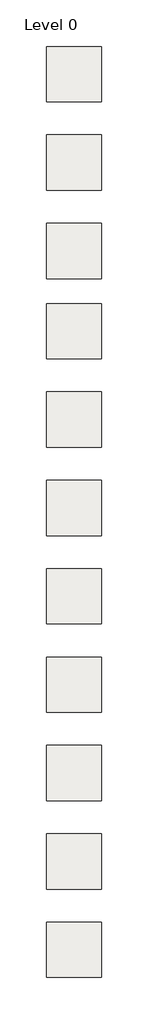
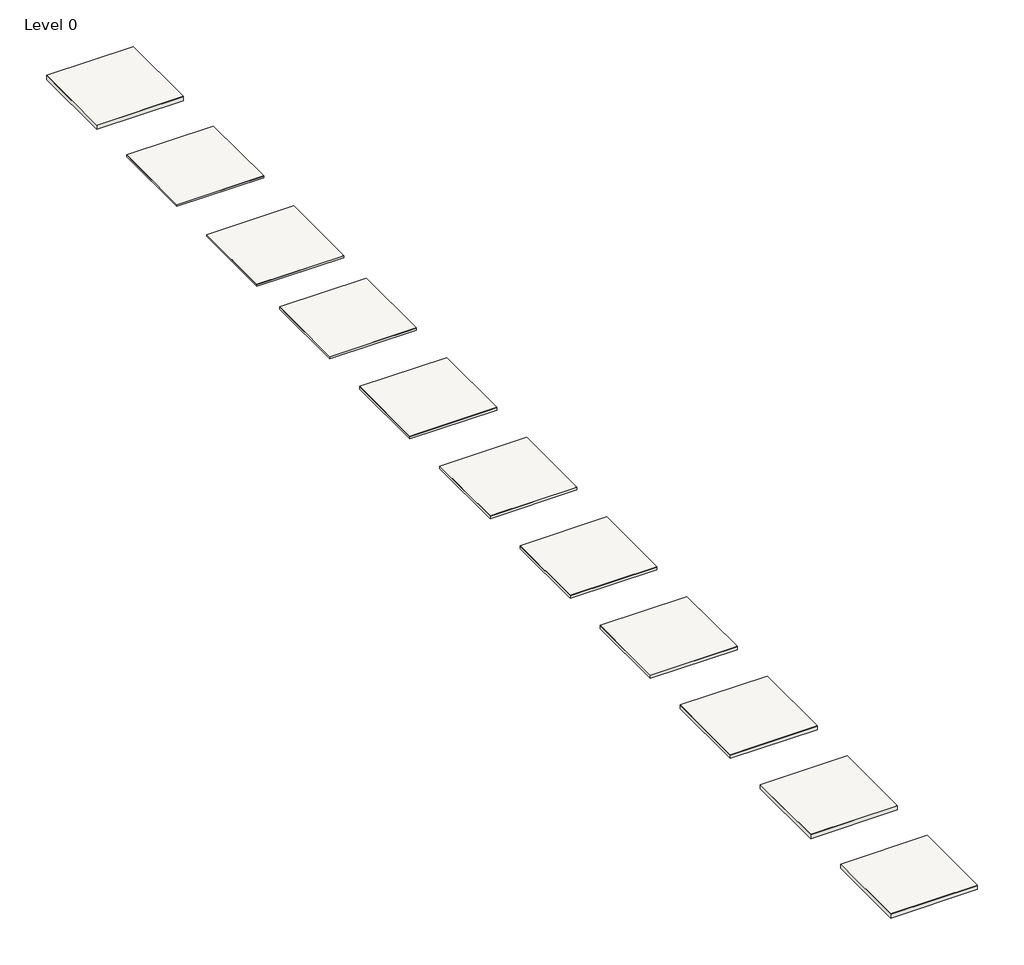
# One storey: 11 coverings, 11 slabs.
"""IFC4 building model written with IfcOpenShell, lengths in millimetres."""

from ifc_helpers import new_model, si_unit, frame, origin, origin_with_axes, place, context, project, spatial, polyline, outline, extrude, element, save

model = new_model("IFC4")

# Units and contexts
model_context = context("Model", 3, world=origin())
ifc_project = project(units=[si_unit("LENGTHUNIT", "METRE", prefix="MILLI")], contexts=[model_context])

# Site, building, storey
site = spatial("IfcSite", under=ifc_project)
building = spatial("IfcBuilding", under=site)
storey = spatial("IfcBuildingStorey", under=building, Name="Level 0", Elevation=0.0)

# Coverings
placement = place(None, origin())
element("IfcCovering", 1, at=placement, inside=storey, context=model_context, shape_type="SweptSolid", body=[
    extrude(outline(polyline([(4387.8819039, 6029.3022109), (6887.8819039, 6029.3022109), (6887.8819039, 3529.3022109), (4387.8819039, 3529.3022109), (4387.8819039, 6029.3022109)])), frame((0.0, 0.0, -120.0), z_axis=(0.0, 0.0, 1.0), x_axis=(1.0, 0.0, 0.0)), (0.0, 0.0, 1.0), 120.0),
])
element("IfcCovering", 2, at=placement, inside=storey, context=model_context, shape_type="SweptSolid", body=[
    extrude(outline(polyline([(4387.8819039, 2029.3022109), (6887.8819039, 2029.3022109), (6887.8819039, -470.6977891), (4387.8819039, -470.6977891), (4387.8819039, 2029.3022109)])), frame((0.0, 0.0, -40.0), z_axis=(0.0, 0.0, 1.0), x_axis=(1.0, 0.0, 0.0)), (0.0, 0.0, 1.0), 40.0),
])
element("IfcCovering", 3, at=placement, inside=storey, context=model_context, shape_type="SweptSolid", body=[
    extrude(outline(polyline([(4387.8819039, -1970.6977891), (6887.8819039, -1970.6977891), (6887.8819039, -4470.6977891), (4387.8819039, -4470.6977891), (4387.8819039, -1970.6977891)])), frame((0.0, 0.0, -50.0), z_axis=(0.0, 0.0, 1.0), x_axis=(1.0, 0.0, 0.0)), (0.0, 0.0, 1.0), 50.0),
])
element("IfcCovering", 4, at=placement, inside=storey, context=model_context, shape_type="SweptSolid", body=[
    extrude(outline(polyline([(4387.8819039, -5604.7208119), (6887.8819039, -5604.7208119), (6887.8819039, -8104.7208119), (4387.8819039, -8104.7208119), (4387.8819039, -5604.7208119)])), frame((0.0, 0.0, -60.0), z_axis=(0.0, 0.0, 1.0), x_axis=(1.0, 0.0, 0.0)), (0.0, 0.0, 1.0), 60.0),
])
element("IfcCovering", 5, at=placement, inside=storey, context=model_context, shape_type="SweptSolid", body=[
    extrude(outline(polyline([(4387.8819039, -9604.7208119), (6887.8819039, -9604.7208119), (6887.8819039, -12104.7208119), (4387.8819039, -12104.7208119), (4387.8819039, -9604.7208119)])), frame((0.0, 0.0, -70.0), z_axis=(0.0, 0.0, 1.0), x_axis=(1.0, 0.0, 0.0)), (0.0, 0.0, 1.0), 70.0),
])
element("IfcCovering", 6, at=placement, inside=storey, context=model_context, shape_type="SweptSolid", body=[
    extrude(outline(polyline([(4387.8819039, -13604.7208119), (6887.8819039, -13604.7208119), (6887.8819039, -16104.7208119), (4387.8819039, -16104.7208119), (4387.8819039, -13604.7208119)])), frame((0.0, 0.0, -75.0), z_axis=(0.0, 0.0, 1.0), x_axis=(1.0, 0.0, 0.0)), (0.0, 0.0, 1.0), 75.0),
])
element("IfcCovering", 7, at=placement, inside=storey, context=model_context, shape_type="SweptSolid", body=[
    extrude(outline(polyline([(4387.8819039, -17604.7208119), (6887.8819039, -17604.7208119), (6887.8819039, -20104.7208119), (4387.8819039, -20104.7208119), (4387.8819039, -17604.7208119)])), frame((0.0, 0.0, -80.0), z_axis=(0.0, 0.0, 1.0), x_axis=(1.0, 0.0, 0.0)), (0.0, 0.0, 1.0), 80.0),
])
element("IfcCovering", 8, at=placement, inside=storey, context=model_context, shape_type="SweptSolid", body=[
    extrude(outline(polyline([(4387.8819039, -21604.7208119), (6887.8819039, -21604.7208119), (6887.8819039, -24104.7208119), (4387.8819039, -24104.7208119), (4387.8819039, -21604.7208119)])), frame((0.0, 0.0, -90.0), z_axis=(0.0, 0.0, 1.0), x_axis=(1.0, 0.0, 0.0)), (0.0, 0.0, 1.0), 90.0),
])
element("IfcCovering", 9, at=placement, inside=storey, context=model_context, shape_type="SweptSolid", body=[
    extrude(outline(polyline([(4387.8819039, -25604.7208119), (6887.8819039, -25604.7208119), (6887.8819039, -28104.7208119), (4387.8819039, -28104.7208119), (4387.8819039, -25604.7208119)])), frame((0.0, 0.0, -100.0), z_axis=(0.0, 0.0, 1.0), x_axis=(1.0, 0.0, 0.0)), (0.0, 0.0, 1.0), 100.0),
])
element("IfcCovering", 10, at=placement, inside=storey, context=model_context, shape_type="SweptSolid", body=[
    extrude(outline(polyline([(4387.8819039, -29604.7208119), (6887.8819039, -29604.7208119), (6887.8819039, -32104.7208119), (4387.8819039, -32104.7208119), (4387.8819039, -29604.7208119)])), frame((0.0, 0.0, -120.0), z_axis=(0.0, 0.0, 1.0), x_axis=(1.0, 0.0, 0.0)), (0.0, 0.0, 1.0), 120.0),
])
element("IfcCovering", 11, at=placement, inside=storey, context=model_context, shape_type="SweptSolid", body=[
    extrude(outline(polyline([(4387.8819039, -33604.7208119), (6887.8819039, -33604.7208119), (6887.8819039, -36104.7208119), (4387.8819039, -36104.7208119), (4387.8819039, -33604.7208119)])), frame((0.0, 0.0, -120.0), z_axis=(0.0, 0.0, 1.0), x_axis=(1.0, 0.0, 0.0)), (0.0, 0.0, 1.0), 120.0),
])

# Slabs
element("IfcSlab", 12, at=placement, inside=storey, context=model_context, shape_type="SweptSolid", body=[
    extrude(outline(polyline([(6887.8819039, -33604.7208119), (6887.8819039, -36104.7208119), (4387.8819039, -36104.7208119), (4387.8819039, -33604.7208119), (6887.8819039, -33604.7208119)])), origin_with_axes(), (0.0, 0.0, 1.0), 10.0),
])
element("IfcSlab", 13, at=placement, inside=storey, context=model_context, shape_type="SweptSolid", body=[
    extrude(outline(polyline([(6887.8819039, -29604.7208119), (6887.8819039, -32104.7208119), (4387.8819039, -32104.7208119), (4387.8819039, -29604.7208119), (6887.8819039, -29604.7208119)])), origin_with_axes(), (0.0, 0.0, 1.0), 10.0),
])
element("IfcSlab", 14, at=placement, inside=storey, context=model_context, shape_type="SweptSolid", body=[
    extrude(outline(polyline([(6887.8819039, -25604.7208119), (6887.8819039, -28104.7208119), (4387.8819039, -28104.7208119), (4387.8819039, -25604.7208119), (6887.8819039, -25604.7208119)])), origin_with_axes(), (0.0, 0.0, 1.0), 10.0),
])
element("IfcSlab", 15, at=placement, inside=storey, context=model_context, shape_type="SweptSolid", body=[
    extrude(outline(polyline([(6887.8819039, -21604.7208119), (6887.8819039, -24104.7208119), (4387.8819039, -24104.7208119), (4387.8819039, -21604.7208119), (6887.8819039, -21604.7208119)])), origin_with_axes(), (0.0, 0.0, 1.0), 10.0),
])
element("IfcSlab", 16, at=placement, inside=storey, context=model_context, shape_type="SweptSolid", body=[
    extrude(outline(polyline([(6887.8819039, -17604.7208119), (6887.8819039, -20104.7208119), (4387.8819039, -20104.7208119), (4387.8819039, -17604.7208119), (6887.8819039, -17604.7208119)])), origin_with_axes(), (0.0, 0.0, 1.0), 10.0),
])
element("IfcSlab", 17, at=placement, inside=storey, context=model_context, shape_type="SweptSolid", body=[
    extrude(outline(polyline([(6887.8819039, -13604.7208119), (6887.8819039, -16104.7208119), (4387.8819039, -16104.7208119), (4387.8819039, -13604.7208119), (6887.8819039, -13604.7208119)])), origin_with_axes(), (0.0, 0.0, 1.0), 10.0),
])
element("IfcSlab", 18, at=placement, inside=storey, context=model_context, shape_type="SweptSolid", body=[
    extrude(outline(polyline([(6887.8819039, -9604.7208119), (6887.8819039, -12104.7208119), (4387.8819039, -12104.7208119), (4387.8819039, -9604.7208119), (6887.8819039, -9604.7208119)])), origin_with_axes(), (0.0, 0.0, 1.0), 10.0),
])
element("IfcSlab", 19, at=placement, inside=storey, context=model_context, shape_type="SweptSolid", body=[
    extrude(outline(polyline([(6887.8819039, -5604.7208119), (6887.8819039, -8104.7208119), (4387.8819039, -8104.7208119), (4387.8819039, -5604.7208119), (6887.8819039, -5604.7208119)])), origin_with_axes(), (0.0, 0.0, 1.0), 10.0),
])
element("IfcSlab", 20, at=placement, inside=storey, context=model_context, shape_type="SweptSolid", body=[
    extrude(outline(polyline([(6887.8819039, -1970.6977891), (6887.8819039, -4470.6977891), (4387.8819039, -4470.6977891), (4387.8819039, -1970.6977891), (6887.8819039, -1970.6977891)])), origin_with_axes(), (0.0, 0.0, 1.0), 10.0),
])
element("IfcSlab", 21, at=placement, inside=storey, context=model_context, shape_type="SweptSolid", body=[
    extrude(outline(polyline([(6887.8819039, 2029.3022109), (6887.8819039, -470.6977891), (4387.8819039, -470.6977891), (4387.8819039, 2029.3022109), (6887.8819039, 2029.3022109)])), origin_with_axes(), (0.0, 0.0, 1.0), 10.0),
])
element("IfcSlab", 22, at=placement, inside=storey, context=model_context, shape_type="SweptSolid", body=[
    extrude(outline(polyline([(6887.8819039, 6029.3022109), (6887.8819039, 3529.3022109), (4387.8819039, 3529.3022109), (4387.8819039, 6029.3022109), (6887.8819039, 6029.3022109)])), origin_with_axes(), (0.0, 0.0, 1.0), 10.0),
])

save(model, "model.ifc")
